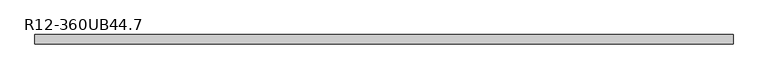
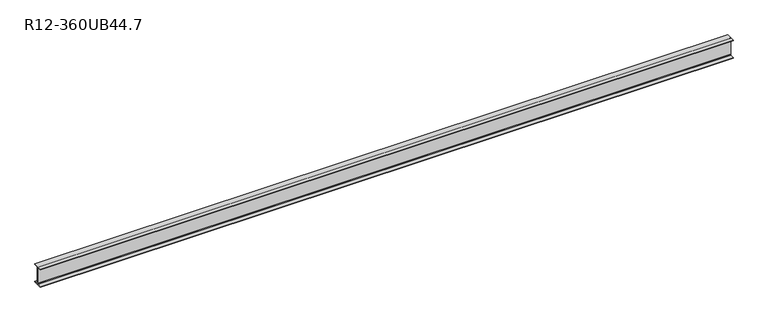
"""IFC4 building model written with IfcOpenShell, lengths in millimetres: beam geometry, R12-360UB44.7."""

from ifc_helpers import new_model, si_unit, point, frame, frame_2d, origin, place, context, project, spatial, polyline, circle_curve, trimmed, segment, composite_curve, outline, extrude, source, transform, mapped, element, save


def r12_360ub44_7_fff75e35(model_context):
    return source(origin(), model_context, "Body", "SweptSolid", [
        extrude(outline(composite_curve([segment(polyline([(-85.5, -166.3), (-14.85, -166.3)]), True, "CONTINUOUS"), segment(trimmed(circle_curve(frame_2d((-14.85, -154.9)), 11.4), [point((-14.85, -166.3))], [point((-3.45, -154.9))], True, "CARTESIAN"), True, "CONTINUOUS"), segment(polyline([(-3.45, -154.9), (-3.45, 154.9)]), True, "CONTINUOUS"), segment(trimmed(circle_curve(frame_2d((-14.85, 154.9)), 11.4), [point((-3.45, 154.9))], [point((-14.85, 166.3))], True, "CARTESIAN"), True, "CONTINUOUS"), segment(polyline([(-14.85, 166.3), (-85.5, 166.3), (-85.5, 176.0), (85.5, 176.0), (85.5, 166.3), (14.85, 166.3)]), True, "CONTINUOUS"), segment(trimmed(circle_curve(frame_2d((14.85, 154.9)), 11.4), [point((14.85, 166.3))], [point((3.45, 154.9))], True, "CARTESIAN"), True, "CONTINUOUS"), segment(polyline([(3.45, 154.9), (3.45, -154.9)]), True, "CONTINUOUS"), segment(trimmed(circle_curve(frame_2d((14.85, -154.9)), 11.4), [point((3.45, -154.9))], [point((14.85, -166.3))], True, "CARTESIAN"), True, "CONTINUOUS"), segment(polyline([(14.85, -166.3), (85.5, -166.3), (85.5, -176.0), (-85.5, -176.0), (-85.5, -166.3)]), True, "CONTINUOUS")], self_intersect=False)), frame((-6472.5, 0.0, 0.0), z_axis=(1.0, 0.0, 0.0), x_axis=(0.0, 1.0, 0.0)), (0.0, 0.0, 1.0), 12887.0),
    ])


if __name__ == "__main__":
    model = new_model("IFC4")
    model_context = context("Model", 3, world=origin())
    ifc_project = project(units=[si_unit("LENGTHUNIT", "METRE", prefix="MILLI")], contexts=[model_context])
    site = spatial("IfcSite", under=ifc_project)
    building = spatial("IfcBuilding", under=site)
    placement = place(None, origin())
    r12_360ub44_7_shape = r12_360ub44_7_fff75e35(model_context)
    element("IfcBeam", 1, ObjectType="R12-360UB44.7", at=placement, inside=building, context=model_context, shape_type="MappedRepresentation", body=[
        mapped(r12_360ub44_7_shape, transform((0.0, 0.0, 0.0), x_axis=(1.0, 0.0, 0.0), y_axis=(0.0, 1.0, 0.0), z_axis=(0.0, 0.0, 1.0))),
    ])
    save(model, "model.ifc")
